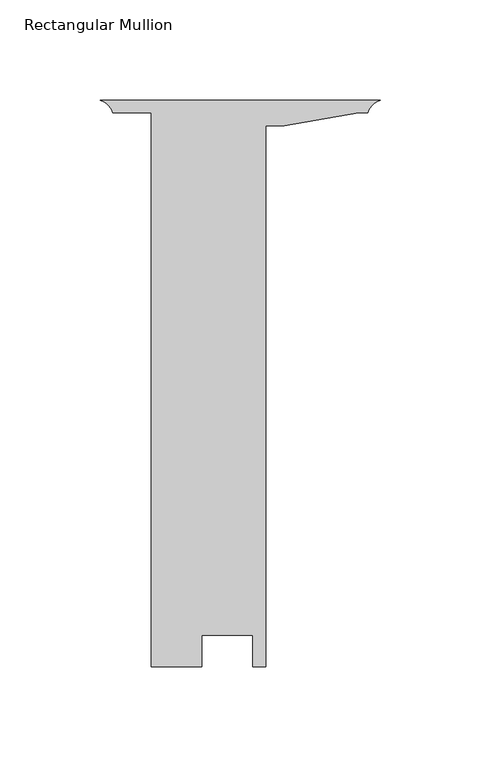
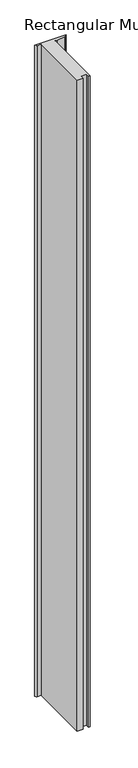
"""IFC4 building model written with IfcOpenShell, lengths in millimetres: member geometry, Rectangular Mullion."""

from ifc_helpers import new_model, si_unit, point, frame, frame_2d, origin, place, context, project, spatial, polyline, circle_curve, trimmed, segment, composite_curve, outline, extrude, source, transform, mapped, element, save


def rectangular_mullion_77fab5be(model_context):
    return source(origin(), model_context, "Body", "SweptSolid", [
        extrude(outline(composite_curve([segment(trimmed(circle_curve(frame_2d((2.8143689, -9.1643689)), 9.5867789), [point((0.0, 0.0))], [point((-6.35, -6.35))], True, "CARTESIAN"), True, "CONTINUOUS"), segment(polyline([(-6.35, -6.35), (-10.7927803, -6.35), (-47.7848023, -12.7), (-57.15, -12.7), (-57.15, -282.575), (-63.7157969, -282.575), (-63.7157969, -266.954), (-89.1232422, -266.954), (-89.1232422, -282.575), (-114.299897, -282.575), (-114.299897, -6.35), (-133.35, -6.35)]), True, "CONTINUOUS"), segment(trimmed(circle_curve(frame_2d((-142.5143689, -9.1643689)), 9.5867789), [point((-133.35, -6.35))], [point((-139.7, 0.0))], True, "CARTESIAN"), True, "CONTINUOUS"), segment(polyline([(-139.7, 0.0), (0.0, 0.0)]), True, "CONTINUOUS")], self_intersect=False)), frame((0.0, 0.0, -3048.0), z_axis=(0.0, 0.0, 1.0), x_axis=(1.0, 0.0, 0.0)), (0.0, 0.0, 1.0), 3048.0),
    ])


if __name__ == "__main__":
    model = new_model("IFC4")
    model_context = context("Model", 3, world=origin())
    ifc_project = project(units=[si_unit("LENGTHUNIT", "METRE", prefix="MILLI")], contexts=[model_context])
    site = spatial("IfcSite", under=ifc_project)
    building = spatial("IfcBuilding", under=site)
    placement = place(None, origin())
    rectangular_mullion_shape = rectangular_mullion_77fab5be(model_context)
    element("IfcMember", 1, ObjectType="Rectangular Mullion", at=placement, inside=building, context=model_context, shape_type="MappedRepresentation", body=[
        mapped(rectangular_mullion_shape, transform((0.0, 0.0, 0.0), x_axis=(1.0, 0.0, 0.0), y_axis=(0.0, 1.0, 0.0), z_axis=(0.0, 0.0, 1.0))),
    ])
    save(model, "model.ifc")
